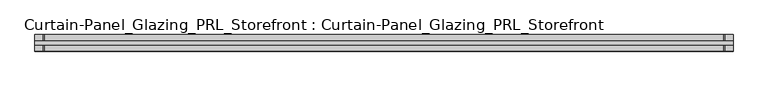
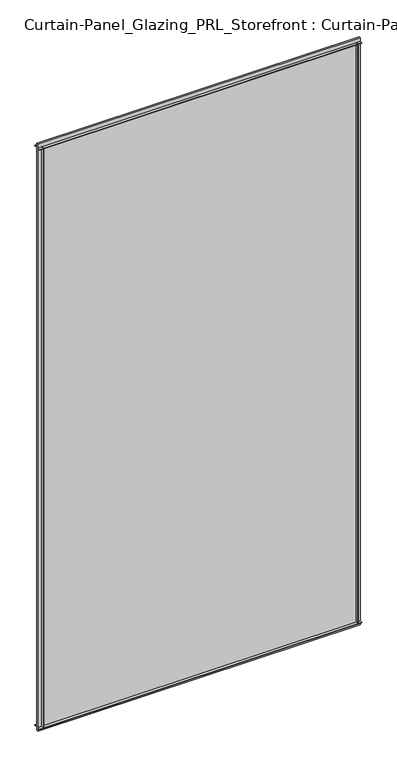
"""IFC4 building model written with IfcOpenShell, lengths in millimetres: plate geometry, Curtain-Panel_Glazing_PRL_Storefront : Curtain-Panel_Glazing_PRL_Storefront."""

from ifc_helpers import new_model, si_unit, frame, origin, origin_with_axes, place, context, project, spatial, polyline, outline, extrude, source, transform, mapped, element, save


def curtain_panel_glazing_prl_storefront_curtain_panel_glazing_bedeca20(model_context):
    return source(origin(), model_context, "Body", "SweptSolid", [
        extrude(outline(polyline([(479.425, -12.7), (477.8375, -12.7), (477.8375, -3.175), (479.425, -3.175), (479.425, -12.7)])), frame((0.0, 0.0, 12.7), z_axis=(0.0, 0.0, 1.0), x_axis=(1.0, 0.0, 0.0)), (0.0, 0.0, 1.0), 2056.60625),
        extrude(outline(polyline([(479.425, 12.7), (479.425, 3.175), (477.8375, 3.175), (477.8375, 12.7), (479.425, 12.7)])), frame((0.0, 0.0, 12.7), z_axis=(0.0, 0.0, 1.0), x_axis=(1.0, 0.0, 0.0)), (0.0, 0.0, 1.0), 2056.60625),
        extrude(outline(polyline([(-577.85, -12.7), (-577.85, -3.175), (-576.2625, -3.175), (-576.2625, -12.7), (-577.85, -12.7)])), frame((0.0, 0.0, 12.7), z_axis=(0.0, 0.0, 1.0), x_axis=(1.0, 0.0, 0.0)), (0.0, 0.0, 1.0), 2056.60625),
        extrude(outline(polyline([(-577.85, 12.7), (-576.2625, 12.7), (-576.2625, 3.175), (-577.85, 3.175), (-577.85, 12.7)])), frame((0.0, 0.0, 12.7), z_axis=(0.0, 0.0, 1.0), x_axis=(1.0, 0.0, 0.0)), (0.0, 0.0, 1.0), 2056.60625),
        extrude(outline(polyline([(492.125, 3.175), (492.125, -3.175), (-590.55, -3.175), (-590.55, 3.175), (492.125, 3.175)])), origin_with_axes(), (0.0, 0.0, 1.0), 2082.00625),
        extrude(outline(polyline([(-590.55, -12.7), (-590.55, -3.175), (492.125, -3.175), (492.125, -12.7), (-590.55, -12.7)])), frame((0.0, 0.0, 2067.71875), z_axis=(0.0, 0.0, 1.0), x_axis=(1.0, 0.0, 0.0)), (0.0, 0.0, 1.0), 1.5875),
        extrude(outline(polyline([(-590.55, 12.7), (492.125, 12.7), (492.125, 3.175), (-590.55, 3.175), (-590.55, 12.7)])), frame((0.0, 0.0, 2067.71875), z_axis=(0.0, 0.0, 1.0), x_axis=(1.0, 0.0, 0.0)), (0.0, 0.0, 1.0), 1.5875),
        extrude(outline(polyline([(-590.55, -12.7), (-590.55, -3.175), (492.125, -3.175), (492.125, -12.7), (-590.55, -12.7)])), frame((0.0, 0.0, 12.7), z_axis=(0.0, 0.0, 1.0), x_axis=(1.0, 0.0, 0.0)), (0.0, 0.0, 1.0), 1.5875),
        extrude(outline(polyline([(-590.55, 12.7), (492.125, 12.7), (492.125, 3.175), (-590.55, 3.175), (-590.55, 12.7)])), frame((0.0, 0.0, 12.7), z_axis=(0.0, 0.0, 1.0), x_axis=(1.0, 0.0, 0.0)), (0.0, 0.0, 1.0), 1.5875),
    ])


if __name__ == "__main__":
    model = new_model("IFC4")
    model_context = context("Model", 3, world=origin())
    ifc_project = project(units=[si_unit("LENGTHUNIT", "METRE", prefix="MILLI")], contexts=[model_context])
    site = spatial("IfcSite", under=ifc_project)
    building = spatial("IfcBuilding", under=site)
    placement = place(None, origin())
    curtain_panel_glazing_prl_storefront_curtain_panel_glazing_shape = curtain_panel_glazing_prl_storefront_curtain_panel_glazing_bedeca20(model_context)
    element("IfcPlate", 1, ObjectType="Curtain-Panel_Glazing_PRL_Storefront : Curtain-Panel_Glazing_PRL_Storefront", at=placement, inside=building, context=model_context, shape_type="MappedRepresentation", body=[
        mapped(curtain_panel_glazing_prl_storefront_curtain_panel_glazing_shape, transform((0.0, 0.0, 0.0), x_axis=(1.0, 0.0, 0.0), y_axis=(0.0, 1.0, 0.0), z_axis=(0.0, 0.0, 1.0))),
    ])
    save(model, "model.ifc")
